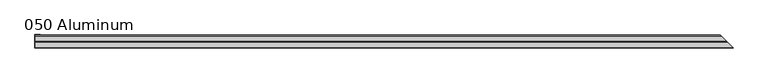
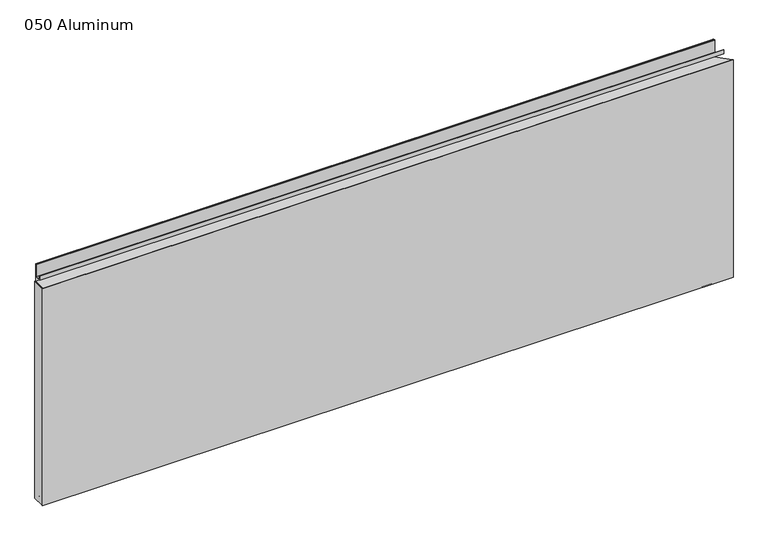
"""IFC4 building model written with IfcOpenShell, lengths in millimetres: plate geometry, 050 Aluminum."""

from ifc_helpers import new_model, si_unit, frame, origin, origin_with_axes, place, context, project, spatial, polyline, circle_curve, ellipse_curve, outline, extrude, source, transform, mapped, element, save
from ifc_brep_helpers import plane_surface, cylinder_surface, revolved_surface, advanced_brep


def plate_050_aluminum_3dc3b3c0(model_context):
    return source(origin(), model_context, "Body", "SolidModel", [
        extrude(outline(polyline([(-897.2286226, -2.5660257), (-897.2286226, -34.7980001), (-898.4986226, -34.7980001), (-898.4986226, -1.2699999), (-884.3381221, -1.2699999), (-884.3381221, -2.5660257), (-897.2286226, -2.5660257)])), origin_with_axes(), (0.0, 0.0, 1.0), 608.33),
        advanced_brep(
        [(-897.2286226, -16.6765477, 13.1458337), (-897.2286226, -16.6765477, 2.786437), (-897.2286226, -17.9464915, 2.786437), (-897.2286226, -17.9464915, 13.1323356), (-897.2286226, -21.7564743, 13.124237), (-897.2286226, -21.7564743, 0.0), (-897.2286226, -34.7980002, 0.0), (-897.2286226, -34.7980002, 1.2693678), (-897.2286226, -23.0264743, 1.2693678), (-897.2286226, -23.0264743, 13.124237), (915.1751704, -16.6765477, 13.1458337), (915.1751704, -16.6765477, 2.786437), (916.4451141, -17.9464915, 2.786437), (916.4451141, -17.9464915, 13.1323356), (920.2550969, -21.7564743, 13.124237), (920.2550969, -21.7564743, 0.0), (933.2966226, -34.798, 0.0), (933.2966228, -34.7980002, 1.2693678), (921.5250969, -23.0264743, 1.2693678), (921.5250969, -23.0264743, 13.124237)],
        [
            (0, 1),
            (1, 2),
            (2, 3),
            (3, 4, circle_curve(frame((-897.2286226, -19.8514743, 13.124237), z_axis=(1.0, 0.0, 0.0), x_axis=(0.0, 0.0, -1.0)), 1.905)),
            (4, 5),
            (5, 6),
            (6, 7),
            (7, 8),
            (8, 9),
            (9, 0, circle_curve(frame((-897.2286226, -19.8514743, 13.124237), z_axis=(-1.0, 0.0, 0.0), x_axis=(0.0, 0.0, -1.0)), 3.175)),
            (0, 10),
            (10, 11),
            (11, 1),
            (11, 12),
            (12, 2),
            (12, 13),
            (13, 3),
            (13, 14, ellipse_curve(frame((918.3500969, -19.8514743, 13.124237), z_axis=(0.7071067811865489, 0.7071067811865462, 0.0), x_axis=(0.707106781186546, -0.7071067811865489, 0.0)), 2.6940768, 1.905)),
            (14, 4),
            (14, 15),
            (15, 5),
            (15, 16),
            (16, 6),
            (16, 17),
            (17, 7),
            (17, 18),
            (18, 8),
            (18, 19),
            (19, 9),
            (19, 10, ellipse_curve(frame((918.3500969, -19.8514743, 13.124237), z_axis=(-0.7071067811865489, -0.7071067811865462, 0.0), x_axis=(-0.707106781186546, 0.7071067811865489, 0.0)), 4.4901281, 3.175)),
        ],
        [
            plane_surface(frame((-897.2286226, -36.068, 0.0), z_axis=(-1.0, 0.0, 0.0), x_axis=(0.0, 0.0, 1.0))),
            plane_surface(frame((-897.2286226, -16.6765477, 13.1458337), z_axis=(0.0, 1.0, 0.0), x_axis=(1.0, 0.0, 0.0))),
            plane_surface(frame((-897.2286226, -16.6765477, 2.786437), z_axis=(0.0, 0.0, -1.0), x_axis=(1.0, 0.0, 0.0))),
            plane_surface(frame((-897.2286226, -17.9464915, 2.786437), z_axis=(0.0, -1.0, 0.0), x_axis=(1.0, 0.0, 0.0))),
            revolved_surface(polyline([(920.2550969, -19.8514743, 11.219237000000001), (-897.2286226, -19.8514743, 11.219237000000001)]), (-897.2286226, -19.8514743, 13.124237), (1.0, 0.0, 0.0)),
            plane_surface(frame((-897.2286226, -21.7564743, 13.124237), z_axis=(0.0, 1.0, 0.0), x_axis=(1.0, 0.0, 0.0))),
            plane_surface(frame((-897.2286226, -21.7564743, 0.0), z_axis=(0.0, 0.0, -1.0), x_axis=(1.0, 0.0, 0.0))),
            plane_surface(frame((-897.2286226, -34.7980002, 0.0), z_axis=(0.0, -1.0, 0.0), x_axis=(1.0, 0.0, 0.0))),
            plane_surface(frame((-897.2286226, -34.7980002, 1.2693678), z_axis=(0.0, 0.0, 1.0), x_axis=(1.0, 0.0, 0.0))),
            plane_surface(frame((-897.2286226, -23.0264743, 1.2693678), z_axis=(0.0, -1.0, 0.0), x_axis=(1.0, 0.0, 0.0))),
            cylinder_surface(frame((-897.2286226, -19.8514743, 13.124237), z_axis=(-1.0, 0.0, 0.0), x_axis=(0.0, 0.0, -1.0)), 3.175),
            plane_surface(frame((898.4986226, 0.0, 795.4549971), z_axis=(0.7071067811865489, 0.7071067811865462, 0.0), x_axis=(0.0, 0.0, -1.0))),
        ],
        [
            (0, [[1, 2, 3, 4, 5, 6, 7, 8, 9, 10]]),
            (1, [[-1, 11, 12, 13]]),
            (2, [[-2, -13, 14, 15]]),
            (3, [[-3, -15, 16, 17]]),
            (4, [[-4, -17, 18, 19]]),
            (5, [[-5, -19, 20, 21]]),
            (6, [[-6, -21, 22, 23]]),
            (7, [[-7, -23, 24, 25]]),
            (8, [[-8, -25, 26, 27]]),
            (9, [[-9, -27, 28, 29]]),
            (10, [[-10, -29, 30, -11]]),
            (11, [[-12, -30, -28, -26, -24, -22, -20, -18, -16, -14]]),
        ],
    ),
        advanced_brep(
        [(-897.2286226, -2.0574743, 656.7932001), (-897.2286226, -2.0574743, 608.33), (-897.2286226, -34.7980002, 608.33), (-897.2286226, -34.7980002, 609.6000001), (-897.2286226, -3.3274743, 609.6000001), (-897.2286226, -3.3274743, 656.7932001), (-897.2286226, -4.0894742, 656.7932001), (-897.2286226, -4.0894742, 622.3), (-897.2286226, -20.4864742, 622.3), (-897.2286226, -20.4864742, 633.6538), (-897.2286226, -19.2164743, 633.6538), (-897.2286226, -19.2164743, 623.57), (-897.2286226, -5.3594742, 623.57), (-897.2286226, -5.3594742, 656.7932001), (900.5560969, -2.0574743, 656.7932001), (900.5560969, -2.0574743, 608.33), (933.2966226, -34.798, 608.33), (933.2966228, -34.7980002, 609.6000001), (901.8260969, -3.3274743, 609.6000001), (901.8260969, -3.3274743, 656.7932001), (902.5880968, -4.0894742, 656.7932001), (902.5880968, -4.0894742, 622.3), (918.9850969, -20.4864742, 622.3), (918.9850969, -20.4864742, 633.6538), (917.715097, -19.2164743, 633.6538), (917.715097, -19.2164743, 623.57), (903.8580968, -5.3594742, 623.57), (903.8580968, -5.3594742, 656.7932001)],
        [
            (0, 1),
            (1, 2),
            (2, 3),
            (3, 4),
            (4, 5),
            (5, 6, circle_curve(frame((-897.2286226, -3.7084742, 656.7932001), z_axis=(1.0, 0.0, 0.0), x_axis=(0.0, 0.0, -1.0)), 0.3809999)),
            (6, 7),
            (7, 8),
            (8, 9),
            (9, 10),
            (10, 11),
            (11, 12),
            (12, 13),
            (13, 0, circle_curve(frame((-897.2286226, -3.7084742, 656.7932001), z_axis=(-1.0, 0.0, 0.0), x_axis=(0.0, 0.0, -1.0)), 1.6509999)),
            (0, 14),
            (14, 15),
            (15, 1),
            (15, 16),
            (16, 2),
            (16, 17),
            (17, 3),
            (17, 18),
            (18, 4),
            (18, 19),
            (19, 5),
            (19, 20, ellipse_curve(frame((902.2070969, -3.7084742, 656.7932001), z_axis=(0.7071067811865489, 0.7071067811865462, 0.0), x_axis=(0.707106781186546, -0.7071067811865489, 0.0)), 0.5388153, 0.3809999)),
            (20, 6),
            (20, 21),
            (21, 7),
            (21, 22),
            (22, 8),
            (22, 23),
            (23, 9),
            (23, 24),
            (24, 10),
            (24, 25),
            (25, 11),
            (25, 26),
            (26, 12),
            (26, 27),
            (27, 13),
            (27, 14, ellipse_curve(frame((902.2070969, -3.7084742, 656.7932001), z_axis=(-0.7071067811865489, -0.7071067811865462, 0.0), x_axis=(-0.707106781186546, 0.7071067811865489, 0.0)), 2.3348665, 1.6509999)),
        ],
        [
            plane_surface(frame((-897.2286226, -36.068, 609.6), z_axis=(-1.0, 0.0, 0.0), x_axis=(0.0, 0.0, 1.0))),
            plane_surface(frame((-897.2286226, -2.0574743, 656.7932001), z_axis=(0.0, 1.0, 0.0), x_axis=(1.0, 0.0, 0.0))),
            plane_surface(frame((-897.2286226, -2.0574743, 608.33), z_axis=(0.0, 0.0, -1.0), x_axis=(1.0, 0.0, 0.0))),
            plane_surface(frame((-897.2286226, -34.7980002, 608.33), z_axis=(0.0, -1.0, 0.0), x_axis=(1.0, 0.0, 0.0))),
            plane_surface(frame((-897.2286226, -34.7980002, 609.6000001), z_axis=(0.0, 0.0, 1.0), x_axis=(1.0, 0.0, 0.0))),
            plane_surface(frame((-897.2286226, -3.3274743, 609.6000001), z_axis=(0.0, -1.0, 0.0), x_axis=(1.0, 0.0, 0.0))),
            revolved_surface(polyline([(902.5880968524372, -3.7084742, 656.4122002), (-897.2286226, -3.7084742, 656.4122002)]), (-897.2286226, -3.7084742, 656.7932001), (1.0, 0.0, 0.0)),
            plane_surface(frame((-897.2286226, -4.0894742, 656.7932001), z_axis=(0.0, 1.0, 0.0), x_axis=(1.0, 0.0, 0.0))),
            plane_surface(frame((-897.2286226, -4.0894742, 622.3), z_axis=(0.0, 0.0, -1.0), x_axis=(1.0, 0.0, 0.0))),
            plane_surface(frame((-897.2286226, -20.4864742, 622.3), z_axis=(0.0, -1.0, 0.0), x_axis=(1.0, 0.0, 0.0))),
            plane_surface(frame((-897.2286226, -20.4864742, 633.6538), z_axis=(0.0, 0.0, 1.0), x_axis=(1.0, 0.0, 0.0))),
            plane_surface(frame((-897.2286226, -19.2164743, 633.6538), z_axis=(0.0, 1.0, 0.0), x_axis=(1.0, 0.0, 0.0))),
            plane_surface(frame((-897.2286226, -19.2164743, 623.57), z_axis=(0.0, 0.0, 1.0), x_axis=(1.0, 0.0, 0.0))),
            plane_surface(frame((-897.2286226, -5.3594742, 623.57), z_axis=(0.0, -1.0, 0.0), x_axis=(1.0, 0.0, 0.0))),
            cylinder_surface(frame((-897.2286226, -3.7084742, 656.7932001), z_axis=(-1.0, 0.0, 0.0), x_axis=(0.0, 0.0, -1.0)), 1.6509999),
            plane_surface(frame((898.4986226, 0.0, 795.4549971), z_axis=(0.7071067811865489, 0.7071067811865462, 0.0), x_axis=(0.0, 0.0, -1.0))),
        ],
        [
            (0, [[1, 2, 3, 4, 5, 6, 7, 8, 9, 10, 11, 12, 13, 14]]),
            (1, [[-1, 15, 16, 17]]),
            (2, [[-2, -17, 18, 19]]),
            (3, [[-3, -19, 20, 21]]),
            (4, [[-4, -21, 22, 23]]),
            (5, [[-5, -23, 24, 25]]),
            (6, [[-6, -25, 26, 27]]),
            (7, [[-7, -27, 28, 29]]),
            (8, [[-8, -29, 30, 31]]),
            (9, [[-9, -31, 32, 33]]),
            (10, [[-10, -33, 34, 35]]),
            (11, [[-11, -35, 36, 37]]),
            (12, [[-12, -37, 38, 39]]),
            (13, [[-13, -39, 40, 41]]),
            (14, [[-14, -41, 42, -15]]),
            (15, [[-16, -42, -40, -38, -36, -34, -32, -30, -28, -26, -24, -22, -20, -18]]),
        ],
    ),
        extrude(outline(polyline([(-898.4986226, -36.068), (-898.4986226, -34.7980001), (933.2966227, -34.7980001), (934.5666226, -36.068), (-898.4986226, -36.068)])), origin_with_axes(), (0.0, 0.0, 1.0), 609.6),
    ])


if __name__ == "__main__":
    model = new_model("IFC4")
    model_context = context("Model", 3, world=origin())
    ifc_project = project(units=[si_unit("LENGTHUNIT", "METRE", prefix="MILLI")], contexts=[model_context])
    site = spatial("IfcSite", under=ifc_project)
    building = spatial("IfcBuilding", under=site)
    placement = place(None, origin())
    plate_050_aluminum_shape = plate_050_aluminum_3dc3b3c0(model_context)
    element("IfcPlate", 1, ObjectType="050 Aluminum", at=placement, inside=building, context=model_context, shape_type="MappedRepresentation", body=[
        mapped(plate_050_aluminum_shape, transform((0.0, 0.0, 0.0), x_axis=(1.0, 0.0, 0.0), y_axis=(0.0, 1.0, 0.0), z_axis=(0.0, 0.0, 1.0))),
    ])
    save(model, "model.ifc")
